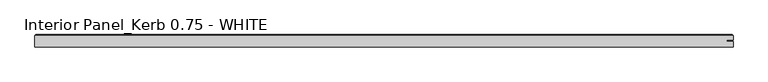
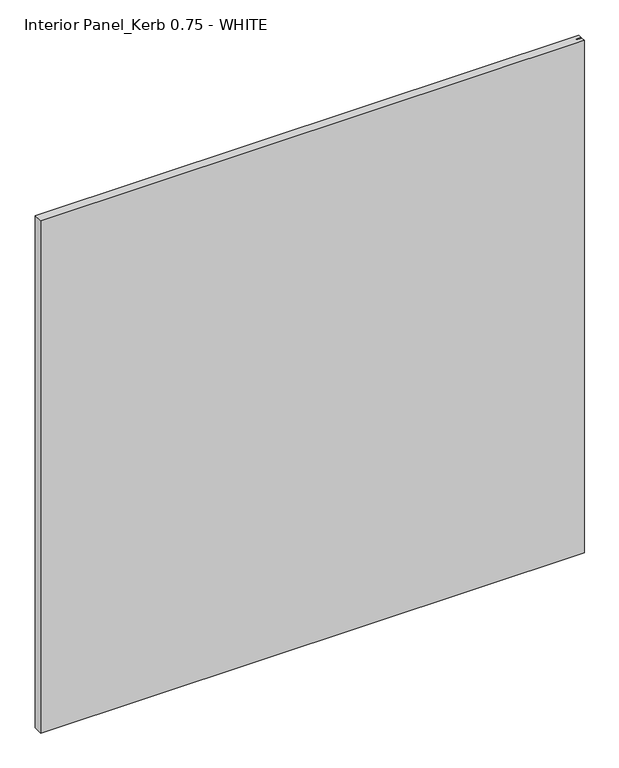
"""IFC4 building model written with IfcOpenShell, lengths in millimetres: proxy geometry, Interior Panel_Kerb 0.75 - WHITE."""

from ifc_helpers import new_model, si_unit, origin, place, context, project, spatial, faceted_brep, source, transform, mapped, element, save


def interior_panel_kerb_0_75_white_a1405b90(model_context):
    return source(origin(), model_context, "Body", "Brep", [
        faceted_brep([(994.965625, -3.175, 1063.625), (994.965625, 5.2832, 1063.625), (985.1429687, 5.2832, 1063.625), (985.1429687, 7.4168, 1063.625), (994.965625, 7.4168, 1063.625), (994.965625, 14.2875, 1063.625), (-73.025, 14.2875, 1063.625), (-73.025, -3.175, 1063.625), (994.965625, -3.175, 0.0), (-73.025, -3.175, 0.0), (-73.025, 14.2875, 0.0), (994.965625, 14.2875, 0.0), (994.965625, 7.4168, 0.0), (985.1429687, 7.4168, 0.0), (985.1429687, 5.2832, 0.0), (994.965625, 5.2832, 0.0), (-71.4375, 15.875, 1062.0375), (993.378125, 15.875, 1062.0375), (993.378125, 15.875, 1.5875), (-71.4375, 15.875, 1.5875)], [[[0, 1, 2, 3, 4, 5, 6, 7]], [[8, 9, 10, 11, 12, 13, 14, 15]], [[7, 9, 8, 0]], [[6, 10, 9, 7]], [[16, 17, 18, 19]], [[4, 12, 11, 5]], [[6, 16, 19, 10]], [[11, 18, 17, 5]], [[5, 17, 16, 6]], [[10, 19, 18, 11]], [[3, 13, 12, 4]], [[2, 14, 13, 3]], [[1, 15, 14, 2]], [[0, 8, 15, 1]]]),
    ])


if __name__ == "__main__":
    model = new_model("IFC4")
    model_context = context("Model", 3, world=origin())
    ifc_project = project(units=[si_unit("LENGTHUNIT", "METRE", prefix="MILLI")], contexts=[model_context])
    site = spatial("IfcSite", under=ifc_project)
    building = spatial("IfcBuilding", under=site)
    placement = place(None, origin())
    interior_panel_kerb_0_75_white_shape = interior_panel_kerb_0_75_white_a1405b90(model_context)
    element("IfcBuildingElementProxy", 1, Name="Interior Panel_Kerb 0.75 - WHITE", ObjectType="Interior Panel_Kerb 0.75 - WHITE", at=placement, inside=building, context=model_context, shape_type="MappedRepresentation", body=[
        mapped(interior_panel_kerb_0_75_white_shape, transform((0.0, 0.0, 0.0), x_axis=(1.0, 0.0, 0.0), y_axis=(0.0, 1.0, 0.0), z_axis=(0.0, 0.0, 1.0))),
    ])
    save(model, "model.ifc")
